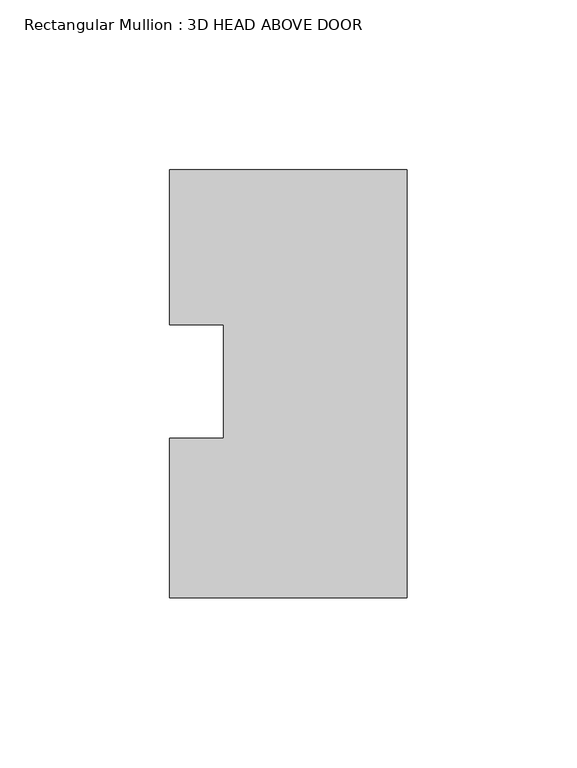
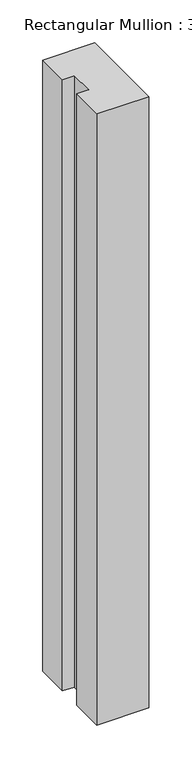
"""IFC4 building model written with IfcOpenShell, lengths in millimetres: member geometry, Rectangular Mullion : 3D HEAD ABOVE DOOR."""

from ifc_helpers import new_model, si_unit, frame, origin, place, context, project, spatial, polyline, outline, extrude, source, transform, mapped, element, save


def rectangular_mullion_3d_head_above_door_2d04433b(model_context):
    return source(origin(), model_context, "Body", "SweptSolid", [
        extrude(outline(polyline([(-69.85, 19.9402744), (-69.85, 65.5359978), (0.0, 65.5359978), (0.0, -60.2448022), (-69.85, -60.2448022), (-69.85, -13.3957223), (-53.975, -13.3957223), (-53.975, 19.9402744), (-69.85, 19.9402744)])), frame((0.0, 0.0, -869.95), z_axis=(0.0, 0.0, 1.0), x_axis=(1.0, 0.0, 0.0)), (0.0, 0.0, 1.0), 869.95),
    ])


if __name__ == "__main__":
    model = new_model("IFC4")
    model_context = context("Model", 3, world=origin())
    ifc_project = project(units=[si_unit("LENGTHUNIT", "METRE", prefix="MILLI")], contexts=[model_context])
    site = spatial("IfcSite", under=ifc_project)
    building = spatial("IfcBuilding", under=site)
    placement = place(None, origin())
    rectangular_mullion_3d_head_above_door_shape = rectangular_mullion_3d_head_above_door_2d04433b(model_context)
    element("IfcMember", 1, ObjectType="Rectangular Mullion : 3D HEAD ABOVE DOOR", at=placement, inside=building, context=model_context, shape_type="MappedRepresentation", body=[
        mapped(rectangular_mullion_3d_head_above_door_shape, transform((0.0, 0.0, 0.0), x_axis=(1.0, 0.0, 0.0), y_axis=(0.0, 1.0, 0.0), z_axis=(0.0, 0.0, 1.0))),
    ])
    save(model, "model.ifc")
